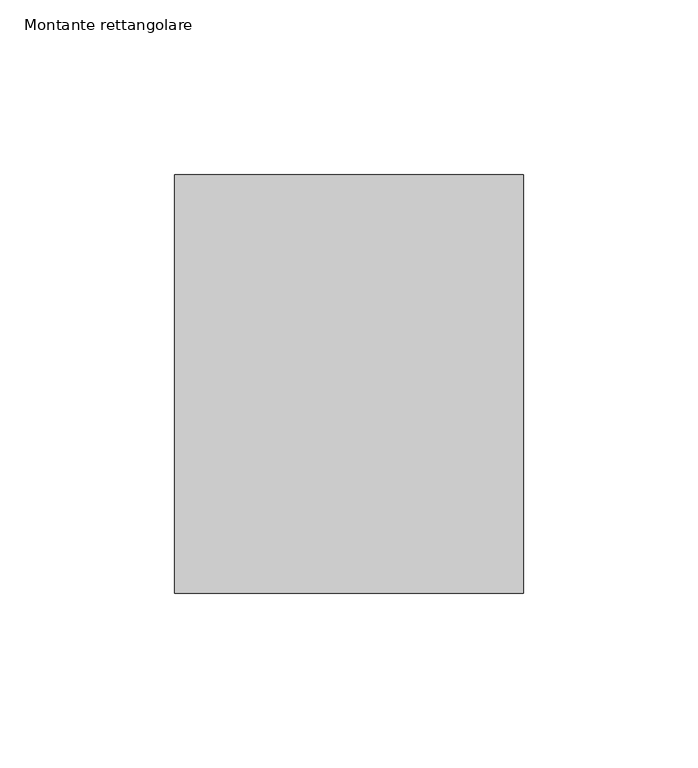
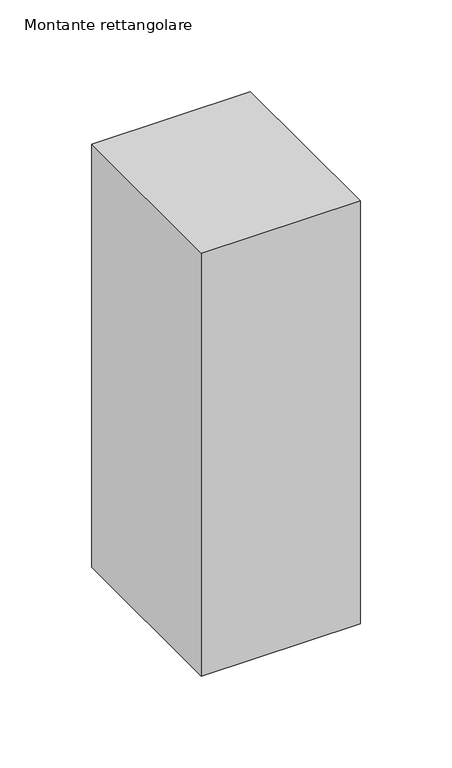
"""IFC4 building model written with IfcOpenShell, lengths in millimetres: member geometry, Montante rettangolare."""

from ifc_helpers import new_model, si_unit, frame, origin, place, context, project, spatial, polyline, outline, extrude, source, transform, mapped, element, save


def montante_rettangolare_a861fae8(model_context):
    return source(origin(), model_context, "Body", "SweptSolid", [
        extrude(outline(polyline([(50.0, 60.0), (50.0, -60.0), (-50.0, -60.0), (-50.0, 60.0), (50.0, 60.0)])), frame((0.0, 0.0, -282.083638), z_axis=(0.0, 0.0, 1.0), x_axis=(1.0, 0.0, 0.0)), (0.0, 0.0, 1.0), 282.083638),
    ])


if __name__ == "__main__":
    model = new_model("IFC4")
    model_context = context("Model", 3, world=origin())
    ifc_project = project(units=[si_unit("LENGTHUNIT", "METRE", prefix="MILLI")], contexts=[model_context])
    site = spatial("IfcSite", under=ifc_project)
    building = spatial("IfcBuilding", under=site)
    placement = place(None, origin())
    montante_rettangolare_shape = montante_rettangolare_a861fae8(model_context)
    element("IfcMember", 1, ObjectType="Montante rettangolare", at=placement, inside=building, context=model_context, shape_type="MappedRepresentation", body=[
        mapped(montante_rettangolare_shape, transform((0.0, 0.0, 0.0), x_axis=(1.0, 0.0, 0.0), y_axis=(0.0, 1.0, 0.0), z_axis=(0.0, 0.0, 1.0))),
    ])
    save(model, "model.ifc")
